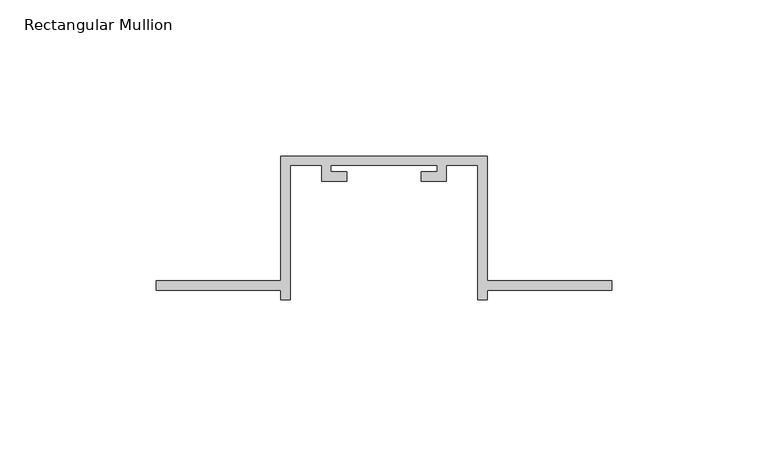
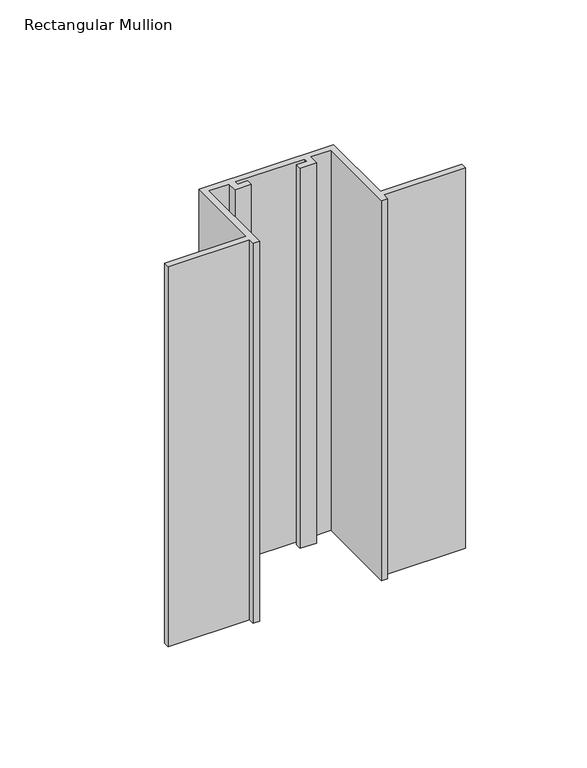
"""IFC4 building model written with IfcOpenShell, lengths in millimetres: member geometry, Rectangular Mullion."""

from ifc_helpers import new_model, si_unit, frame, origin, place, context, project, spatial, polyline, outline, extrude, source, transform, mapped, element, save


def rectangular_mullion_f849f54e(model_context):
    return source(origin(), model_context, "Body", "SweptSolid", [
        extrude(outline(polyline([(-106.0, -132.0), (-146.0, -132.0), (-146.0, -129.0), (-106.0, -129.0), (-106.0, -89.0), (-40.0, -89.0), (-40.0, -129.0), (0.0, -129.0), (0.0, -132.0), (-40.0, -132.0), (-40.0, -135.0), (-43.0, -135.0), (-43.0, -92.0), (-53.0, -92.0), (-53.0, -97.0), (-61.0, -97.0), (-61.0, -94.0), (-56.0, -94.0), (-56.0, -92.0), (-90.0, -92.0), (-90.0, -94.0), (-85.0, -94.0), (-85.0, -97.0), (-93.0, -97.0), (-93.0, -92.0), (-103.0, -92.0), (-103.0, -135.0), (-106.0, -135.0), (-106.0, -132.0)])), frame((0.0, 0.0, -197.1692572), z_axis=(0.0, 0.0, 1.0), x_axis=(1.0, 0.0, 0.0)), (0.0, 0.0, 1.0), 197.1692572),
    ])


if __name__ == "__main__":
    model = new_model("IFC4")
    model_context = context("Model", 3, world=origin())
    ifc_project = project(units=[si_unit("LENGTHUNIT", "METRE", prefix="MILLI")], contexts=[model_context])
    site = spatial("IfcSite", under=ifc_project)
    building = spatial("IfcBuilding", under=site)
    placement = place(None, origin())
    rectangular_mullion_shape = rectangular_mullion_f849f54e(model_context)
    element("IfcMember", 1, ObjectType="Rectangular Mullion", at=placement, inside=building, context=model_context, shape_type="MappedRepresentation", body=[
        mapped(rectangular_mullion_shape, transform((0.0, 0.0, 0.0), x_axis=(1.0, 0.0, 0.0), y_axis=(0.0, 1.0, 0.0), z_axis=(0.0, 0.0, 1.0))),
    ])
    save(model, "model.ifc")
